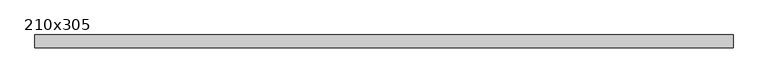
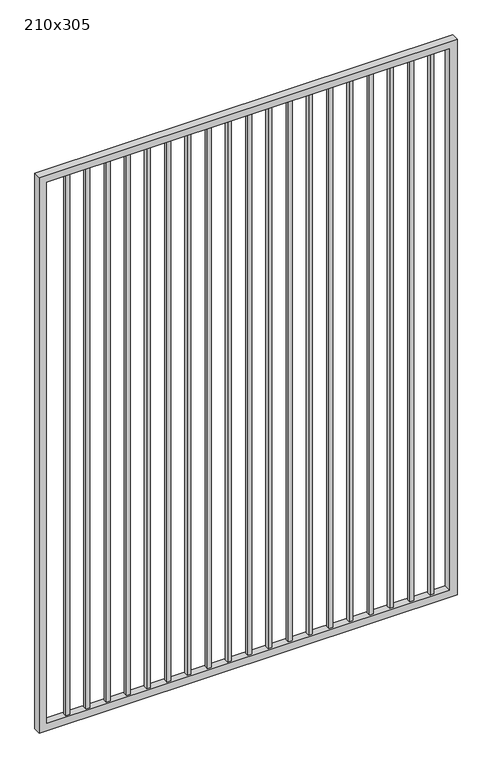
"""IFC4 building model written with IfcOpenShell, lengths in millimetres: proxy geometry, 210x305."""

from ifc_helpers import new_model, si_unit, frame, origin, place, context, project, spatial, polyline, outline, extrude, source, transform, mapped, element, save


def proxy_210x305_4d3ace37(model_context):
    return source(origin(), model_context, "Body", "SweptSolid", [
        extrude(outline(polyline([(2016.125, 9.525), (2016.125, -9.525), (1997.075, -9.525), (1997.075, 9.525), (2016.125, 9.525)])), frame((0.0, 0.0, 139.7), z_axis=(0.0, 0.0, 1.0), x_axis=(1.0, 0.0, 0.0)), (0.0, 0.0, 1.0), 2880.0),
        extrude(outline(polyline([(1914.525, 9.525), (1914.525, -9.525), (1895.475, -9.525), (1895.475, 9.525), (1914.525, 9.525)])), frame((0.0, 0.0, 139.7), z_axis=(0.0, 0.0, 1.0), x_axis=(1.0, 0.0, 0.0)), (0.0, 0.0, 1.0), 2880.0),
        extrude(outline(polyline([(1812.925, 9.525), (1812.925, -9.525), (1793.875, -9.525), (1793.875, 9.525), (1812.925, 9.525)])), frame((0.0, 0.0, 139.7), z_axis=(0.0, 0.0, 1.0), x_axis=(1.0, 0.0, 0.0)), (0.0, 0.0, 1.0), 2880.0),
        extrude(outline(polyline([(1711.325, 9.525), (1711.325, -9.525), (1692.275, -9.525), (1692.275, 9.525), (1711.325, 9.525)])), frame((0.0, 0.0, 139.7), z_axis=(0.0, 0.0, 1.0), x_axis=(1.0, 0.0, 0.0)), (0.0, 0.0, 1.0), 2880.0),
        extrude(outline(polyline([(1609.725, 9.525), (1609.725, -9.525), (1590.675, -9.525), (1590.675, 9.525), (1609.725, 9.525)])), frame((0.0, 0.0, 139.7), z_axis=(0.0, 0.0, 1.0), x_axis=(1.0, 0.0, 0.0)), (0.0, 0.0, 1.0), 2880.0),
        extrude(outline(polyline([(1508.125, 9.525), (1508.125, -9.525), (1489.075, -9.525), (1489.075, 9.525), (1508.125, 9.525)])), frame((0.0, 0.0, 139.7), z_axis=(0.0, 0.0, 1.0), x_axis=(1.0, 0.0, 0.0)), (0.0, 0.0, 1.0), 2880.0),
        extrude(outline(polyline([(1406.525, 9.525), (1406.525, -9.525), (1387.475, -9.525), (1387.475, 9.525), (1406.525, 9.525)])), frame((0.0, 0.0, 139.7), z_axis=(0.0, 0.0, 1.0), x_axis=(1.0, 0.0, 0.0)), (0.0, 0.0, 1.0), 2880.0),
        extrude(outline(polyline([(1304.925, 9.525), (1304.925, -9.525), (1285.875, -9.525), (1285.875, 9.525), (1304.925, 9.525)])), frame((0.0, 0.0, 139.7), z_axis=(0.0, 0.0, 1.0), x_axis=(1.0, 0.0, 0.0)), (0.0, 0.0, 1.0), 2880.0),
        extrude(outline(polyline([(1203.325, 9.525), (1203.325, -9.525), (1184.275, -9.525), (1184.275, 9.525), (1203.325, 9.525)])), frame((0.0, 0.0, 139.7), z_axis=(0.0, 0.0, 1.0), x_axis=(1.0, 0.0, 0.0)), (0.0, 0.0, 1.0), 2880.0),
        extrude(outline(polyline([(1101.725, 9.525), (1101.725, -9.525), (1082.675, -9.525), (1082.675, 9.525), (1101.725, 9.525)])), frame((0.0, 0.0, 139.7), z_axis=(0.0, 0.0, 1.0), x_axis=(1.0, 0.0, 0.0)), (0.0, 0.0, 1.0), 2880.0),
        extrude(outline(polyline([(1000.125, 9.525), (1000.125, -9.525), (981.075, -9.525), (981.075, 9.525), (1000.125, 9.525)])), frame((0.0, 0.0, 139.7), z_axis=(0.0, 0.0, 1.0), x_axis=(1.0, 0.0, 0.0)), (0.0, 0.0, 1.0), 2880.0),
        extrude(outline(polyline([(898.525, 9.525), (898.525, -9.525), (879.475, -9.525), (879.475, 9.525), (898.525, 9.525)])), frame((0.0, 0.0, 139.7), z_axis=(0.0, 0.0, 1.0), x_axis=(1.0, 0.0, 0.0)), (0.0, 0.0, 1.0), 2880.0),
        extrude(outline(polyline([(796.925, 9.525), (796.925, -9.525), (777.875, -9.525), (777.875, 9.525), (796.925, 9.525)])), frame((0.0, 0.0, 139.7), z_axis=(0.0, 0.0, 1.0), x_axis=(1.0, 0.0, 0.0)), (0.0, 0.0, 1.0), 2880.0),
        extrude(outline(polyline([(695.325, 9.525), (695.325, -9.525), (676.275, -9.525), (676.275, 9.525), (695.325, 9.525)])), frame((0.0, 0.0, 139.7), z_axis=(0.0, 0.0, 1.0), x_axis=(1.0, 0.0, 0.0)), (0.0, 0.0, 1.0), 2880.0),
        extrude(outline(polyline([(593.725, 9.525), (593.725, -9.525), (574.675, -9.525), (574.675, 9.525), (593.725, 9.525)])), frame((0.0, 0.0, 139.7), z_axis=(0.0, 0.0, 1.0), x_axis=(1.0, 0.0, 0.0)), (0.0, 0.0, 1.0), 2880.0),
        extrude(outline(polyline([(492.125, 9.525), (492.125, -9.525), (473.075, -9.525), (473.075, 9.525), (492.125, 9.525)])), frame((0.0, 0.0, 139.7), z_axis=(0.0, 0.0, 1.0), x_axis=(1.0, 0.0, 0.0)), (0.0, 0.0, 1.0), 2880.0),
        extrude(outline(polyline([(390.525, 9.525), (390.525, -9.525), (371.475, -9.525), (371.475, 9.525), (390.525, 9.525)])), frame((0.0, 0.0, 139.7), z_axis=(0.0, 0.0, 1.0), x_axis=(1.0, 0.0, 0.0)), (0.0, 0.0, 1.0), 2880.0),
        extrude(outline(polyline([(288.925, 9.525), (288.925, -9.525), (269.875, -9.525), (269.875, 9.525), (288.925, 9.525)])), frame((0.0, 0.0, 139.7), z_axis=(0.0, 0.0, 1.0), x_axis=(1.0, 0.0, 0.0)), (0.0, 0.0, 1.0), 2880.0),
        extrude(outline(polyline([(187.325, 9.525), (187.325, -9.525), (168.275, -9.525), (168.275, 9.525), (187.325, 9.525)])), frame((0.0, 0.0, 139.7), z_axis=(0.0, 0.0, 1.0), x_axis=(1.0, 0.0, 0.0)), (0.0, 0.0, 1.0), 2880.0),
        extrude(outline(polyline([(101.6, 2127.3), (3050.0, 2127.3), (3050.0, 30.0), (101.6, 30.0), (101.6, 2127.3)]), holes=[polyline([(3011.9, 2089.2), (139.7, 2089.2), (139.7, 68.1), (3011.9, 68.1), (3011.9, 2089.2)])]), frame((0.0, -19.05, 0.0), z_axis=(0.0, 1.0, 0.0), x_axis=(0.0, 0.0, 1.0)), (0.0, 0.0, 1.0), 38.1),
    ])


if __name__ == "__main__":
    model = new_model("IFC4")
    model_context = context("Model", 3, world=origin())
    ifc_project = project(units=[si_unit("LENGTHUNIT", "METRE", prefix="MILLI")], contexts=[model_context])
    site = spatial("IfcSite", under=ifc_project)
    building = spatial("IfcBuilding", under=site)
    placement = place(None, origin())
    proxy_210x305_shape = proxy_210x305_4d3ace37(model_context)
    element("IfcBuildingElementProxy", 1, Name="210x305", ObjectType="210x305", at=placement, inside=building, context=model_context, shape_type="MappedRepresentation", body=[
        mapped(proxy_210x305_shape, transform((0.0, 0.0, 0.0), x_axis=(1.0, 0.0, 0.0), y_axis=(0.0, 1.0, 0.0), z_axis=(0.0, 0.0, 1.0))),
    ])
    save(model, "model.ifc")
